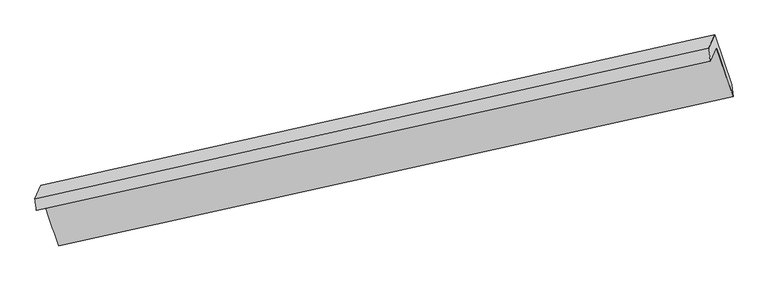
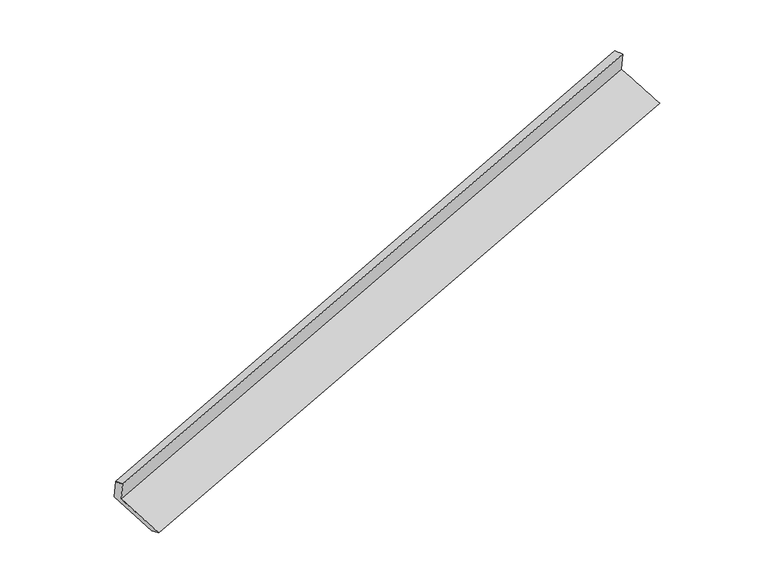
"""IFC4 building model written with IfcOpenShell, lengths in millimetres: proxy geometry."""

from ifc_helpers import new_model, si_unit, frame, origin, place, context, project, spatial, source, transform, mapped, element, save
from ifc_brep_helpers import plane_surface, spline_surface, advanced_brep


def generic_models_ef39ae1e(model_context):
    return source(origin(), model_context, "Body", "AdvancedBrep", [
        advanced_brep(
        [(-7566.5035215, -2505.5788796, 885.0651126), (-7486.168493, -2329.9841925, 496.3429507), (1690.1109379, -290.0303476, 3316.2298728), (1607.9250494, -469.6706072, 3713.9079076), (-7587.2357404, -2346.2741624, 838.6307115), (1581.9933521, -297.1547481, 3672.3667343), (-7504.5584765, -2165.5598643, 438.5750277), (1666.5214761, -112.3948774, 3263.3551776), (-7283.4121031, -2823.5221873, 187.061485), (1897.2937078, -787.3745075, 3006.1438504), (-7264.7708521, -2988.6940952, 244.5436373), (1916.573501, -952.4047411, 3063.8219641)],
        [
            (0, 1),
            (1, 2),
            (2, 3),
            (3, 0),
            (4, 0),
            (3, 5),
            (5, 4),
            (6, 4),
            (5, 7),
            (7, 6),
            (8, 6),
            (7, 9),
            (9, 8),
            (10, 8),
            (9, 11),
            (11, 10),
            (1, 10),
            (11, 2),
        ],
        [
            plane_surface(frame((-7526.3360072, -2417.7815361, 690.7040317), z_axis=(0.3023966965795188, -0.890560352922172, -0.33979184172215093), x_axis=(0.18508600173983702, 0.40455725445534446, -0.8955872932481316))),
            spline_surface(1, 1, [[(-7587.2357404, -2346.2741624, 838.6307115), (1581.9933521, -297.1547481, 3672.3667343)], [(-7566.5035215, -2505.5788796, 885.0651126), (1607.9250494, -469.6706072, 3713.9079076)]], [2, 2], [2, 2], [0.0, 1.0], [0.0, 1.0]),
            plane_surface(frame((-7545.8971084, -2255.9170134, 638.6028696), z_axis=(-0.30382559570478884, 0.8902414787945593, 0.33935249642268284), x_axis=(-0.1850860017399232, -0.40455725445538077, 0.8955872932480974))),
            spline_surface(1, 1, [[(-7283.4121031, -2823.5221873, 187.061485), (1897.2937078, -787.3745075, 3006.1438504)], [(-7504.5584765, -2165.5598643, 438.5750277), (1666.5214761, -112.3948774, 3263.3551776)]], [2, 2], [2, 2], [0.0, 1.0], [0.0, 1.0]),
            spline_surface(1, 1, [[(-7264.7708521, -2988.6940952, 244.5436373), (1916.573501, -952.4047411, 3063.8219641)], [(-7283.4121031, -2823.5221873, 187.061485), (1897.2937078, -787.3745075, 3006.1438504)]], [2, 2], [2, 2], [0.0, 1.0], [0.0, 1.0]),
            spline_surface(1, 1, [[(-7486.168493, -2329.9841925, 496.3429507), (1690.1109379, -290.0303476, 3316.2298728)], [(-7264.7708521, -2988.6940952, 244.5436373), (1916.573501, -952.4047411, 3063.8219641)]], [2, 2], [2, 2], [0.0, 1.0], [0.0, 1.0]),
            plane_surface(frame((1726.7363374, -484.8383048, 3339.3042511), z_axis=(0.9344121787122963, 0.20977390861498074, 0.2878693931951315), x_axis=(-0.30433049836332104, 0.8901282689207922, 0.33919701153460413))),
            plane_surface(frame((-7448.7748644, -2526.6022302, 515.0364875), z_axis=(-0.9359599067790582, -0.20520833646268716, -0.28612688015695736), x_axis=(-0.18508600173990675, -0.404557254455383, 0.8955872932480998))),
        ],
        [
            (0, [[1, 2, 3, 4]]),
            (1, [[5, -4, 6, 7]]),
            (2, [[8, -7, 9, 10]]),
            (3, [[11, -10, 12, 13]]),
            (4, [[14, -13, 15, 16]]),
            (5, [[17, -16, 18, -2]]),
            (6, [[-12, -9, -6, -3, -18, -15]]),
            (7, [[-1, -5, -8, -11, -14, -17]]),
        ],
    ),
    ])


if __name__ == "__main__":
    model = new_model("IFC4")
    model_context = context("Model", 3, world=origin())
    ifc_project = project(units=[si_unit("LENGTHUNIT", "METRE", prefix="MILLI")], contexts=[model_context])
    site = spatial("IfcSite", under=ifc_project)
    building = spatial("IfcBuilding", under=site)
    placement = place(None, origin())
    generic_models_shape = generic_models_ef39ae1e(model_context)
    element("IfcBuildingElementProxy", 1, Name="Generic Models", at=placement, inside=building, context=model_context, shape_type="MappedRepresentation", body=[
        mapped(generic_models_shape, transform((0.0, 0.0, 0.0), x_axis=(1.0, 0.0, 0.0), y_axis=(0.0, 1.0, 0.0), z_axis=(0.0, 0.0, 1.0))),
    ])
    save(model, "model.ifc")
